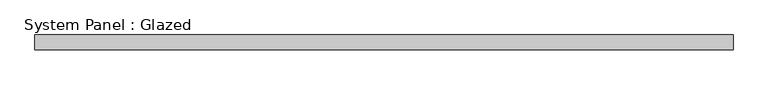
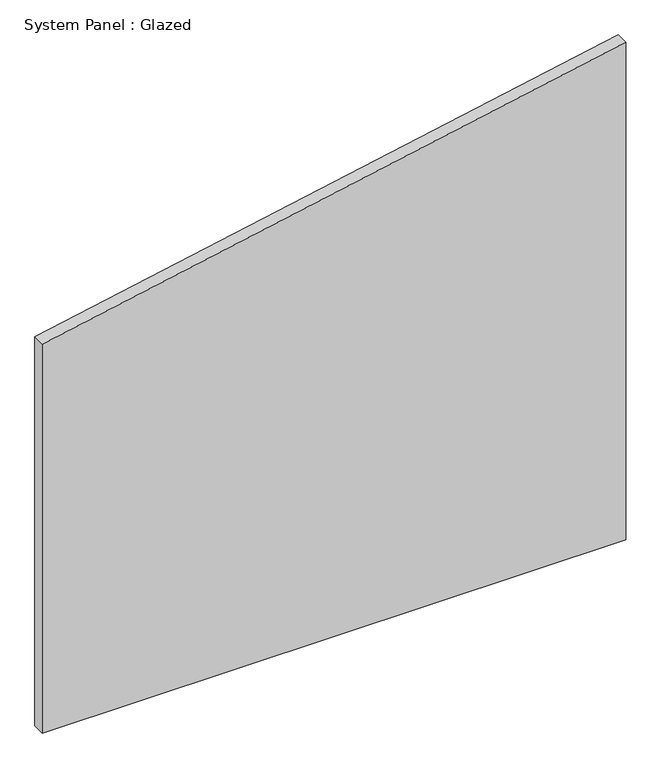
"""IFC4 building model written with IfcOpenShell, lengths in millimetres: plate geometry, System Panel : Glazed."""

from ifc_helpers import new_model, si_unit, frame, origin, place, context, project, spatial, polyline, outline, extrude, source, transform, mapped, element, save


def system_panel_glazed_0dcd3966(model_context):
    return source(origin(), model_context, "Body", "SweptSolid", [
        extrude(outline(polyline([(0.0, -593.25), (0.0, 593.25), (1070.1658815, 593.25), (836.1397335, -593.25), (0.0, -593.25)])), frame((0.0, 19.05, 0.0), z_axis=(0.0, 1.0, 0.0), x_axis=(0.0, 0.0, 1.0)), (0.0, 0.0, 1.0), 25.4),
    ])


if __name__ == "__main__":
    model = new_model("IFC4")
    model_context = context("Model", 3, world=origin())
    ifc_project = project(units=[si_unit("LENGTHUNIT", "METRE", prefix="MILLI")], contexts=[model_context])
    site = spatial("IfcSite", under=ifc_project)
    building = spatial("IfcBuilding", under=site)
    placement = place(None, origin())
    system_panel_glazed_shape = system_panel_glazed_0dcd3966(model_context)
    element("IfcPlate", 1, ObjectType="System Panel : Glazed", at=placement, inside=building, context=model_context, shape_type="MappedRepresentation", body=[
        mapped(system_panel_glazed_shape, transform((0.0, 0.0, 0.0), x_axis=(1.0, 0.0, 0.0), y_axis=(0.0, 1.0, 0.0), z_axis=(0.0, 0.0, 1.0))),
    ])
    save(model, "model.ifc")
